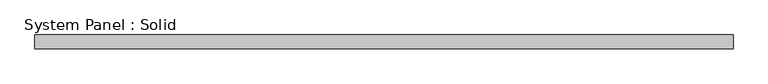
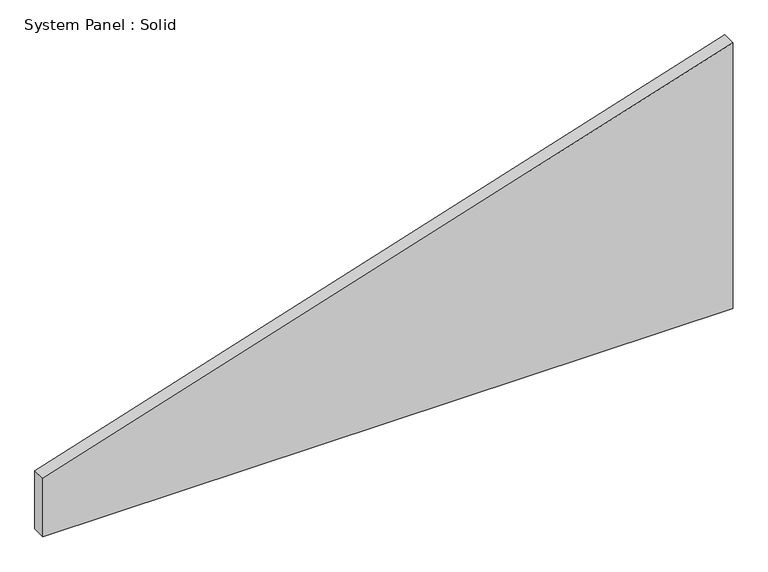
"""IFC4 building model written with IfcOpenShell, lengths in millimetres: plate geometry, System Panel : Solid."""

from ifc_helpers import new_model, si_unit, frame, origin, place, context, project, spatial, polyline, outline, extrude, source, transform, mapped, element, save


def system_panel_solid_0930b5e6(model_context):
    return source(origin(), model_context, "Body", "SweptSolid", [
        extrude(outline(polyline([(0.0, -1500.0), (0.0, 1500.0), (1221.8474536, 1500.0), (268.2062114, -1500.0), (0.0, -1500.0)])), frame((0.0, -10.5, 0.0), z_axis=(0.0, 1.0, 0.0), x_axis=(0.0, 0.0, 1.0)), (0.0, 0.0, 1.0), 60.0),
    ])


if __name__ == "__main__":
    model = new_model("IFC4")
    model_context = context("Model", 3, world=origin())
    ifc_project = project(units=[si_unit("LENGTHUNIT", "METRE", prefix="MILLI")], contexts=[model_context])
    site = spatial("IfcSite", under=ifc_project)
    building = spatial("IfcBuilding", under=site)
    placement = place(None, origin())
    system_panel_solid_shape = system_panel_solid_0930b5e6(model_context)
    element("IfcPlate", 1, ObjectType="System Panel : Solid", at=placement, inside=building, context=model_context, shape_type="MappedRepresentation", body=[
        mapped(system_panel_solid_shape, transform((0.0, 0.0, 0.0), x_axis=(1.0, 0.0, 0.0), y_axis=(0.0, 1.0, 0.0), z_axis=(0.0, 0.0, 1.0))),
    ])
    save(model, "model.ifc")
